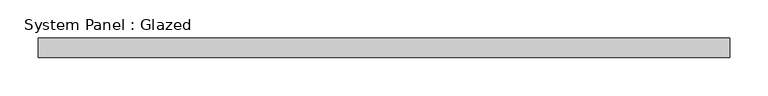
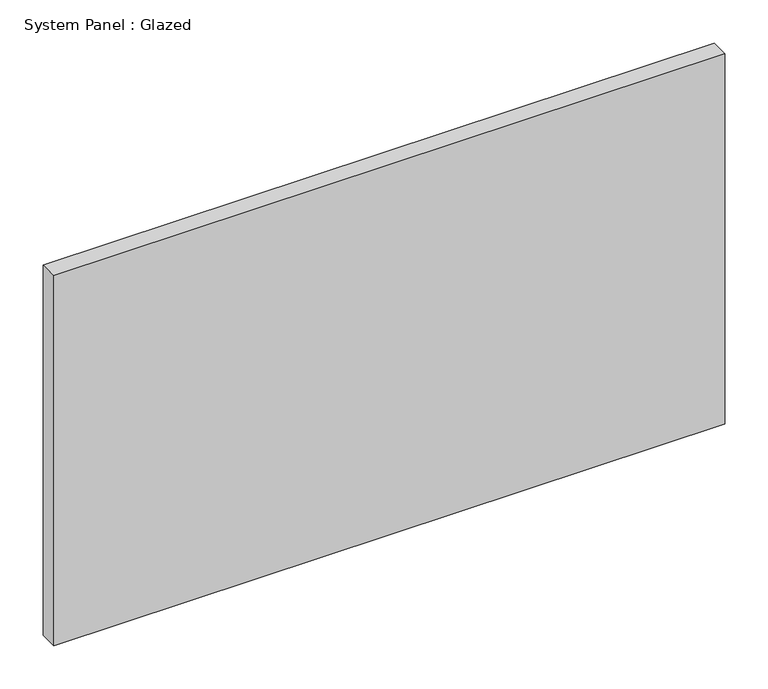
"""IFC4 building model written with IfcOpenShell, lengths in millimetres: plate geometry, System Panel : Glazed."""

from ifc_helpers import new_model, si_unit, origin, origin_with_axes, place, context, project, spatial, polyline, outline, extrude, source, transform, mapped, element, save


def system_panel_glazed_d0caa99a(model_context):
    return source(origin(), model_context, "Body", "SweptSolid", [
        extrude(outline(polyline([(450.0, 24.5), (-450.0, 24.5), (-450.0, 49.5), (450.0, 49.5), (450.0, 24.5)])), origin_with_axes(), (0.0, 0.0, 1.0), 525.0),
    ])


if __name__ == "__main__":
    model = new_model("IFC4")
    model_context = context("Model", 3, world=origin())
    ifc_project = project(units=[si_unit("LENGTHUNIT", "METRE", prefix="MILLI")], contexts=[model_context])
    site = spatial("IfcSite", under=ifc_project)
    building = spatial("IfcBuilding", under=site)
    placement = place(None, origin())
    system_panel_glazed_shape = system_panel_glazed_d0caa99a(model_context)
    element("IfcPlate", 1, ObjectType="System Panel : Glazed", at=placement, inside=building, context=model_context, shape_type="MappedRepresentation", body=[
        mapped(system_panel_glazed_shape, transform((0.0, 0.0, 0.0), x_axis=(1.0, 0.0, 0.0), y_axis=(0.0, 1.0, 0.0), z_axis=(0.0, 0.0, 1.0))),
    ])
    save(model, "model.ifc")
